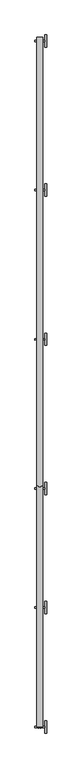
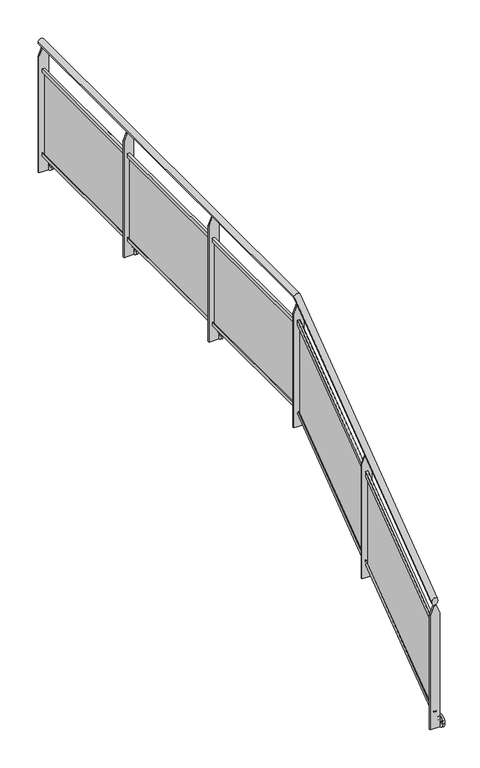
"""IFC4 building model written with IfcOpenShell, lengths in millimetres: railing geometry."""

from ifc_helpers import new_model, si_unit, point, frame, frame_2d, origin, place, context, project, spatial, polyline, circle_curve, ellipse_curve, trimmed, segment, composite_curve, outline, extrude, faceted_brep, source, transform, mapped, element, save
from ifc_brep_helpers import plane_surface, cylinder_surface, advanced_brep


def railing_d3174475(model_context):
    return source(origin(), model_context, "Body", "SolidModel", [
        advanced_brep(
        [(28895.5970847, 758.8773535, 1137.7352387), (28945.5970847, 758.8773535, 1137.7352387), (28945.5970847, 2701.0427821, 2588.6470588), (28895.5970847, 2701.0427821, 2588.6470588), (28895.5970847, 6308.8773535, 2588.6470588), (28945.5970847, 6308.8773535, 2588.6470588)],
        [
            (0, 1, ellipse_curve(frame((28920.5970847, 758.8773535, 1137.7352387), z_axis=(0.0, -1.0, 0.0), x_axis=(0.0, 0.0, -1.0)), 31.2059378, 25.0)),
            (1, 0, ellipse_curve(frame((28920.5970847, 758.8773535, 1137.7352387), z_axis=(0.0, -1.0, 0.0), x_axis=(0.0, 0.0, -1.0)), 31.2059378, 25.0)),
            (1, 2),
            (2, 3, ellipse_curve(frame((28920.5970847, 2701.0427821, 2588.6470588), z_axis=(0.0, -0.9489809231922534, -0.31533348603847705), x_axis=(0.0, 0.3153334860384766, -0.9489809231922536)), 26.3440491, 25.0)),
            (3, 0),
            (3, 2, ellipse_curve(frame((28920.5970847, 2701.0427821, 2588.6470588), z_axis=(0.0, -0.9489809231922534, -0.31533348603847705), x_axis=(0.0, 0.3153334860384766, -0.9489809231922536)), 26.3440491, 25.0)),
            (4, 5, circle_curve(frame((28920.5970847, 6308.8773535, 2588.6470588), z_axis=(0.0, 1.0, 0.0), x_axis=(1.0, 0.0, 0.0)), 25.0)),
            (5, 4, circle_curve(frame((28920.5970847, 6308.8773535, 2588.6470588), z_axis=(0.0, 1.0, 0.0), x_axis=(1.0, 0.0, 0.0)), 25.0)),
            (2, 5),
            (4, 3),
        ],
        [
            plane_surface(frame((28920.5970847, 758.8773535, 1168.9411765), z_axis=(0.0, -1.0, 0.0), x_axis=(0.0, 0.0, 1.0))),
            cylinder_surface(frame((28920.5970847, 773.8396267, 1148.9129368), z_axis=(0.0, -0.8011295851656433, -0.5984909253884511), x_axis=(1.0, 0.0, 0.0)), 25.0),
            plane_surface(frame((28920.5970847, 6308.8773535, 2613.6470588), z_axis=(0.0, 1.0, 0.0), x_axis=(0.0, 0.0, 1.0))),
            cylinder_surface(frame((28920.5970847, 2692.7356212, 2588.6470588), z_axis=(0.0, -1.0, 0.0), x_axis=(1.0, 0.0, 0.0)), 25.0),
        ],
        [
            (0, [[1, 2]]),
            (1, [[-2, 3, 4, 5]]),
            (1, [[-1, -5, 6, -3]]),
            (2, [[7, 8]]),
            (3, [[-4, 9, -7, 10]]),
            (3, [[-6, -10, -8, -9]]),
        ],
    ),
        extrude(outline(polyline([(1493.6470588, 28880.5970847), (1493.6470588, 28960.5970847), (2488.6470588, 28960.5970847), (2563.6470588, 28930.5970847), (2563.6470588, 28910.5970847), (2488.6470588, 28880.5970847), (1493.6470588, 28880.5970847)])), frame((0.0, 6272.8773535, 0.0), z_axis=(0.0, 1.0, 0.0), x_axis=(0.0, 0.0, 1.0)), (0.0, 0.0, 1.0), 12.0),
        extrude(outline(composite_curve([segment(trimmed(circle_curve(frame_2d((6278.8773535, 1543.6470588)), 50.0), [point((6328.8773535, 1543.6470588))], [point((6228.8773535, 1543.6470588))], False, "CARTESIAN"), True, "CONTINUOUS"), segment(trimmed(circle_curve(frame_2d((6278.8773535, 1543.6470588)), 50.0), [point((6228.8773535, 1543.6470588))], [point((6328.8773535, 1543.6470588))], False, "CARTESIAN"), True, "CONTINUOUS")], self_intersect=False), holes=[composite_curve([segment(trimmed(circle_curve(frame_2d((6309.8773535, 1543.6470588)), 9.0), [point((6318.8773535, 1543.6470588))], [point((6300.8773535, 1543.6470588))], True, "CARTESIAN"), True, "CONTINUOUS"), segment(trimmed(circle_curve(frame_2d((6309.8773535, 1543.6470588)), 9.0), [point((6300.8773535, 1543.6470588))], [point((6318.8773535, 1543.6470588))], True, "CARTESIAN"), True, "CONTINUOUS")], self_intersect=False), composite_curve([segment(trimmed(circle_curve(frame_2d((6247.8773535, 1543.6470588)), 9.0), [point((6256.8773535, 1543.6470588))], [point((6238.8773535, 1543.6470588))], True, "CARTESIAN"), True, "CONTINUOUS"), segment(trimmed(circle_curve(frame_2d((6247.8773535, 1543.6470588)), 9.0), [point((6238.8773535, 1543.6470588))], [point((6256.8773535, 1543.6470588))], True, "CARTESIAN"), True, "CONTINUOUS")], self_intersect=False)]), frame((28960.5970847, 0.0, 0.0), z_axis=(1.0, 0.0, 0.0), x_axis=(0.0, 1.0, 0.0)), (0.0, 0.0, 1.0), 15.0),
        extrude(outline(polyline([(28913.4220847, 5108.8773535), (28913.4220847, 6248.8773535), (28921.4220847, 6248.8773535), (28921.4220847, 5108.8773535), (28913.4220847, 5108.8773535)])), frame((0.0, 0.0, 1653.8585064), z_axis=(0.0, 0.0, 1.0), x_axis=(1.0, 0.0, 0.0)), (0.0, 0.0, 1.0), 699.5771048),
        extrude(outline(polyline([(1628.6470588, 28927.4220847), (1658.6470588, 28927.4220847), (1658.6470588, 28924.4220847), (1631.6470588, 28924.4220847), (1631.6470588, 28910.4220847), (1658.6470588, 28910.4220847), (1658.6470588, 28907.4220847), (1628.6470588, 28907.4220847), (1628.6470588, 28927.4220847)])), frame((0.0, 5084.8773535, 0.0), z_axis=(0.0, 1.0, 0.0), x_axis=(0.0, 0.0, 1.0)), (0.0, 0.0, 1.0), 1188.0),
        extrude(outline(polyline([(2378.6470588, 28927.4220847), (2378.6470588, 28907.4220847), (2348.6470588, 28907.4220847), (2348.6470588, 28910.4220847), (2375.6470588, 28910.4220847), (2375.6470588, 28924.4220847), (2348.6470588, 28924.4220847), (2348.6470588, 28927.4220847), (2378.6470588, 28927.4220847)])), frame((0.0, 5084.8773535, 0.0), z_axis=(0.0, 1.0, 0.0), x_axis=(0.0, 0.0, 1.0)), (0.0, 0.0, 1.0), 1188.0),
        extrude(outline(polyline([(1493.6470588, 28880.5970847), (1493.6470588, 28960.5970847), (2488.6470588, 28960.5970847), (2563.6470588, 28930.5970847), (2563.6470588, 28910.5970847), (2488.6470588, 28880.5970847), (1493.6470588, 28880.5970847)])), frame((0.0, 5072.8773535, 0.0), z_axis=(0.0, 1.0, 0.0), x_axis=(0.0, 0.0, 1.0)), (0.0, 0.0, 1.0), 12.0),
        extrude(outline(composite_curve([segment(trimmed(circle_curve(frame_2d((5078.8773535, 1543.6470588)), 50.0), [point((5128.8773535, 1543.6470588))], [point((5028.8773535, 1543.6470588))], False, "CARTESIAN"), True, "CONTINUOUS"), segment(trimmed(circle_curve(frame_2d((5078.8773535, 1543.6470588)), 50.0), [point((5028.8773535, 1543.6470588))], [point((5128.8773535, 1543.6470588))], False, "CARTESIAN"), True, "CONTINUOUS")], self_intersect=False), holes=[composite_curve([segment(trimmed(circle_curve(frame_2d((5109.8773535, 1543.6470588)), 9.0), [point((5118.8773535, 1543.6470588))], [point((5100.8773535, 1543.6470588))], True, "CARTESIAN"), True, "CONTINUOUS"), segment(trimmed(circle_curve(frame_2d((5109.8773535, 1543.6470588)), 9.0), [point((5100.8773535, 1543.6470588))], [point((5118.8773535, 1543.6470588))], True, "CARTESIAN"), True, "CONTINUOUS")], self_intersect=False), composite_curve([segment(trimmed(circle_curve(frame_2d((5047.8773535, 1543.6470588)), 9.0), [point((5056.8773535, 1543.6470588))], [point((5038.8773535, 1543.6470588))], True, "CARTESIAN"), True, "CONTINUOUS"), segment(trimmed(circle_curve(frame_2d((5047.8773535, 1543.6470588)), 9.0), [point((5038.8773535, 1543.6470588))], [point((5056.8773535, 1543.6470588))], True, "CARTESIAN"), True, "CONTINUOUS")], self_intersect=False)]), frame((28960.5970847, 0.0, 0.0), z_axis=(1.0, 0.0, 0.0), x_axis=(0.0, 1.0, 0.0)), (0.0, 0.0, 1.0), 15.0),
        extrude(outline(polyline([(28913.4220847, 3908.8773535), (28913.4220847, 5048.8773535), (28921.4220847, 5048.8773535), (28921.4220847, 3908.8773535), (28913.4220847, 3908.8773535)])), frame((0.0, 0.0, 1653.8585064), z_axis=(0.0, 0.0, 1.0), x_axis=(1.0, 0.0, 0.0)), (0.0, 0.0, 1.0), 699.5771048),
        extrude(outline(polyline([(1628.6470588, 28927.4220847), (1658.6470588, 28927.4220847), (1658.6470588, 28924.4220847), (1631.6470588, 28924.4220847), (1631.6470588, 28910.4220847), (1658.6470588, 28910.4220847), (1658.6470588, 28907.4220847), (1628.6470588, 28907.4220847), (1628.6470588, 28927.4220847)])), frame((0.0, 3884.8773535, 0.0), z_axis=(0.0, 1.0, 0.0), x_axis=(0.0, 0.0, 1.0)), (0.0, 0.0, 1.0), 1188.0),
        extrude(outline(polyline([(2378.6470588, 28927.4220847), (2378.6470588, 28907.4220847), (2348.6470588, 28907.4220847), (2348.6470588, 28910.4220847), (2375.6470588, 28910.4220847), (2375.6470588, 28924.4220847), (2348.6470588, 28924.4220847), (2348.6470588, 28927.4220847), (2378.6470588, 28927.4220847)])), frame((0.0, 3884.8773535, 0.0), z_axis=(0.0, 1.0, 0.0), x_axis=(0.0, 0.0, 1.0)), (0.0, 0.0, 1.0), 1188.0),
        extrude(outline(polyline([(1493.6470588, 28880.5970847), (1493.6470588, 28960.5970847), (2488.6470588, 28960.5970847), (2563.6470588, 28930.5970847), (2563.6470588, 28910.5970847), (2488.6470588, 28880.5970847), (1493.6470588, 28880.5970847)])), frame((0.0, 3872.8773535, 0.0), z_axis=(0.0, 1.0, 0.0), x_axis=(0.0, 0.0, 1.0)), (0.0, 0.0, 1.0), 12.0),
        extrude(outline(composite_curve([segment(trimmed(circle_curve(frame_2d((3878.8773535, 1543.6470588)), 50.0), [point((3928.8773535, 1543.6470588))], [point((3828.8773535, 1543.6470588))], False, "CARTESIAN"), True, "CONTINUOUS"), segment(trimmed(circle_curve(frame_2d((3878.8773535, 1543.6470588)), 50.0), [point((3828.8773535, 1543.6470588))], [point((3928.8773535, 1543.6470588))], False, "CARTESIAN"), True, "CONTINUOUS")], self_intersect=False), holes=[composite_curve([segment(trimmed(circle_curve(frame_2d((3909.8773535, 1543.6470588)), 9.0), [point((3918.8773535, 1543.6470588))], [point((3900.8773535, 1543.6470588))], True, "CARTESIAN"), True, "CONTINUOUS"), segment(trimmed(circle_curve(frame_2d((3909.8773535, 1543.6470588)), 9.0), [point((3900.8773535, 1543.6470588))], [point((3918.8773535, 1543.6470588))], True, "CARTESIAN"), True, "CONTINUOUS")], self_intersect=False), composite_curve([segment(trimmed(circle_curve(frame_2d((3847.8773535, 1543.6470588)), 9.0), [point((3856.8773535, 1543.6470588))], [point((3838.8773535, 1543.6470588))], True, "CARTESIAN"), True, "CONTINUOUS"), segment(trimmed(circle_curve(frame_2d((3847.8773535, 1543.6470588)), 9.0), [point((3838.8773535, 1543.6470588))], [point((3856.8773535, 1543.6470588))], True, "CARTESIAN"), True, "CONTINUOUS")], self_intersect=False)]), frame((28960.5970847, 0.0, 0.0), z_axis=(1.0, 0.0, 0.0), x_axis=(0.0, 1.0, 0.0)), (0.0, 0.0, 1.0), 15.0),
        extrude(outline(polyline([(28913.4220847, 2708.8773535), (28913.4220847, 3848.8773535), (28921.4220847, 3848.8773535), (28921.4220847, 2708.8773535), (28913.4220847, 2708.8773535)])), frame((0.0, 0.0, 1653.8585064), z_axis=(0.0, 0.0, 1.0), x_axis=(1.0, 0.0, 0.0)), (0.0, 0.0, 1.0), 699.5771048),
        extrude(outline(polyline([(1628.6470588, 28927.4220847), (1658.6470588, 28927.4220847), (1658.6470588, 28924.4220847), (1631.6470588, 28924.4220847), (1631.6470588, 28910.4220847), (1658.6470588, 28910.4220847), (1658.6470588, 28907.4220847), (1628.6470588, 28907.4220847), (1628.6470588, 28927.4220847)])), frame((0.0, 2684.8773535, 0.0), z_axis=(0.0, 1.0, 0.0), x_axis=(0.0, 0.0, 1.0)), (0.0, 0.0, 1.0), 1188.0),
        extrude(outline(polyline([(2378.6470588, 28927.4220847), (2378.6470588, 28907.4220847), (2348.6470588, 28907.4220847), (2348.6470588, 28910.4220847), (2375.6470588, 28910.4220847), (2375.6470588, 28924.4220847), (2348.6470588, 28924.4220847), (2348.6470588, 28927.4220847), (2378.6470588, 28927.4220847)])), frame((0.0, 2684.8773535, 0.0), z_axis=(0.0, 1.0, 0.0), x_axis=(0.0, 0.0, 1.0)), (0.0, 0.0, 1.0), 1188.0),
        faceted_brep([(28880.5970847, 2684.8773535, 1483.2941176), (28880.5970847, 2672.8773535, 1483.2941176), (28880.5970847, 2672.8773535, 2465.8822421), (28880.5970847, 2684.8773535, 2465.8822421), (28960.5970847, 2672.8773535, 1483.2941176), (28960.5970847, 2684.8773535, 1483.2941176), (28960.5970847, 2684.8773535, 2465.8822421), (28960.5970847, 2672.8773535, 2465.8822421), (28932.3900259, 2672.8773535, 2536.3998891), (28908.8041436, 2672.8773535, 2536.3998891), (28928.8041436, 2684.8773535, 2545.364595), (28912.3900259, 2684.8773535, 2545.364595)], [[[0, 1, 2, 3]], [[4, 5, 6, 7]], [[1, 4, 7, 8, 9, 2]], [[9, 8, 10, 11]], [[5, 0, 3, 11, 10, 6]], [[1, 0, 5, 4]], [[7, 6, 10, 8]], [[3, 2, 9, 11]]]),
        extrude(outline(composite_curve([segment(trimmed(circle_curve(frame_2d((2678.8773535, 1533.2941176)), 50.0), [point((2728.8773535, 1533.2941176))], [point((2628.8773535, 1533.2941176))], False, "CARTESIAN"), True, "CONTINUOUS"), segment(trimmed(circle_curve(frame_2d((2678.8773535, 1533.2941176)), 50.0), [point((2628.8773535, 1533.2941176))], [point((2728.8773535, 1533.2941176))], False, "CARTESIAN"), True, "CONTINUOUS")], self_intersect=False), holes=[composite_curve([segment(trimmed(circle_curve(frame_2d((2709.8773535, 1533.2941176)), 9.0), [point((2718.8773535, 1533.2941176))], [point((2700.8773535, 1533.2941176))], True, "CARTESIAN"), True, "CONTINUOUS"), segment(trimmed(circle_curve(frame_2d((2709.8773535, 1533.2941176)), 9.0), [point((2700.8773535, 1533.2941176))], [point((2718.8773535, 1533.2941176))], True, "CARTESIAN"), True, "CONTINUOUS")], self_intersect=False), composite_curve([segment(trimmed(circle_curve(frame_2d((2647.8773535, 1533.2941176)), 9.0), [point((2656.8773535, 1533.2941176))], [point((2638.8773535, 1533.2941176))], True, "CARTESIAN"), True, "CONTINUOUS"), segment(trimmed(circle_curve(frame_2d((2647.8773535, 1533.2941176)), 9.0), [point((2638.8773535, 1533.2941176))], [point((2656.8773535, 1533.2941176))], True, "CARTESIAN"), True, "CONTINUOUS")], self_intersect=False)]), frame((28960.5970847, 0.0, 0.0), z_axis=(1.0, 0.0, 0.0), x_axis=(0.0, 1.0, 0.0)), (0.0, 0.0, 1.0), 15.0),
        extrude(outline(polyline([(1748.8773535, 1696.0470366), (2648.8773535, 2368.3999778), (2648.8773535, 1593.3647281), (1748.8773535, 921.0117869), (1748.8773535, 1696.0470366)])), frame((28913.4220847, 0.0, 0.0), z_axis=(1.0, 0.0, 0.0), x_axis=(0.0, 1.0, 0.0)), (0.0, 0.0, 1.0), 8.0),
        extrude(outline(polyline([(-10.0, 0.0), (-10.0, 30.0), (-7.0, 30.0), (-7.0, 3.0), (7.0, 3.0), (7.0, 30.0), (10.0, 30.0), (10.0, 0.0), (-10.0, 0.0)])), frame((28917.4220847, 1724.8773535, 890.6), z_axis=(0.0, 0.8011295851656431, 0.5984909253884512), x_axis=(-1.0, 0.0, 0.0)), (0.0, 0.0, 1.0), 1183.3291612),
        extrude(outline(polyline([(-10.0, 0.0), (10.0, 0.0), (10.0, -30.0000001), (7.0, -30.0000001), (7.0, -3.0), (-7.0, -3.0), (-7.0, -30.0000001), (-10.0, -30.0000001), (-10.0, 0.0)])), frame((28917.4220847, 1724.8773535, 1690.6), z_axis=(0.0, 0.8011295851656393, 0.5984909253884564), x_axis=(-1.0, 0.0, 0.0)), (0.0, 0.0, 1.0), 1183.3291612),
        faceted_brep([(28880.5970847, 1724.8773535, 766.1176471), (28880.5970847, 1712.8773535, 766.1176471), (28880.5970847, 1712.8773535, 1748.7057715), (28880.5970847, 1724.8773535, 1748.7057715), (28960.5970847, 1712.8773535, 766.1176471), (28960.5970847, 1724.8773535, 766.1176471), (28960.5970847, 1724.8773535, 1748.7057715), (28960.5970847, 1712.8773535, 1748.7057715), (28932.3900259, 1712.8773535, 1819.2234185), (28908.8041436, 1712.8773535, 1819.2234185), (28928.8041436, 1724.8773535, 1828.1881244), (28912.3900259, 1724.8773535, 1828.1881244)], [[[0, 1, 2, 3]], [[4, 5, 6, 7]], [[1, 4, 7, 8, 9, 2]], [[9, 8, 10, 11]], [[5, 0, 3, 11, 10, 6]], [[1, 0, 5, 4]], [[7, 6, 10, 8]], [[3, 2, 9, 11]]]),
        extrude(outline(composite_curve([segment(trimmed(circle_curve(frame_2d((1718.8773535, 816.1176471)), 50.0), [point((1768.8773535, 816.1176471))], [point((1668.8773535, 816.1176471))], False, "CARTESIAN"), True, "CONTINUOUS"), segment(trimmed(circle_curve(frame_2d((1718.8773535, 816.1176471)), 50.0), [point((1668.8773535, 816.1176471))], [point((1768.8773535, 816.1176471))], False, "CARTESIAN"), True, "CONTINUOUS")], self_intersect=False), holes=[composite_curve([segment(trimmed(circle_curve(frame_2d((1749.8773535, 816.1176471)), 9.0), [point((1758.8773535, 816.1176471))], [point((1740.8773535, 816.1176471))], True, "CARTESIAN"), True, "CONTINUOUS"), segment(trimmed(circle_curve(frame_2d((1749.8773535, 816.1176471)), 9.0), [point((1740.8773535, 816.1176471))], [point((1758.8773535, 816.1176471))], True, "CARTESIAN"), True, "CONTINUOUS")], self_intersect=False), composite_curve([segment(trimmed(circle_curve(frame_2d((1687.8773535, 816.1176471)), 9.0), [point((1696.8773535, 816.1176471))], [point((1678.8773535, 816.1176471))], True, "CARTESIAN"), True, "CONTINUOUS"), segment(trimmed(circle_curve(frame_2d((1687.8773535, 816.1176471)), 9.0), [point((1678.8773535, 816.1176471))], [point((1696.8773535, 816.1176471))], True, "CARTESIAN"), True, "CONTINUOUS")], self_intersect=False)]), frame((28960.5970847, 0.0, 0.0), z_axis=(1.0, 0.0, 0.0), x_axis=(0.0, 1.0, 0.0)), (0.0, 0.0, 1.0), 15.0),
        extrude(outline(polyline([(788.8773535, 978.8705661), (1688.8773535, 1651.2235072), (1688.8773535, 876.1882575), (788.8773535, 203.8353163), (788.8773535, 978.8705661)])), frame((28913.4220847, 0.0, 0.0), z_axis=(1.0, 0.0, 0.0), x_axis=(0.0, 1.0, 0.0)), (0.0, 0.0, 1.0), 8.0),
        extrude(outline(polyline([(-10.0, 0.0), (-10.0, 30.0), (-7.0, 30.0), (-7.0, 3.0), (7.0, 3.0), (7.0, 30.0), (10.0, 30.0), (10.0, 0.0), (-10.0, 0.0)])), frame((28917.4220847, 764.8773535, 173.4235294), z_axis=(0.0, 0.8011295851656431, 0.5984909253884512), x_axis=(-1.0, 0.0, 0.0)), (0.0, 0.0, 1.0), 1183.3291612),
        extrude(outline(polyline([(-10.0, 0.0), (10.0, 0.0), (10.0, -30.0), (7.0, -30.0), (7.0, -3.0), (-7.0, -3.0), (-7.0, -30.0), (-10.0, -30.0), (-10.0, 0.0)])), frame((28917.4220847, 764.8773535, 973.4235294), z_axis=(0.0, 0.8011295851656393, 0.5984909253884564), x_axis=(-1.0, 0.0, 0.0)), (0.0, 0.0, 1.0), 1183.3291612),
        faceted_brep([(28880.5970847, 764.8773535, 48.9411765), (28880.5970847, 752.8773535, 48.9411765), (28880.5970847, 752.8773535, 1031.5293009), (28880.5970847, 764.8773535, 1031.5293009), (28960.5970847, 752.8773535, 48.9411765), (28960.5970847, 764.8773535, 48.9411765), (28960.5970847, 764.8773535, 1031.5293009), (28960.5970847, 752.8773535, 1031.5293009), (28932.3900259, 752.8773535, 1102.0469479), (28908.8041436, 752.8773535, 1102.0469479), (28928.8041436, 764.8773535, 1111.0116538), (28912.3900259, 764.8773535, 1111.0116538)], [[[0, 1, 2, 3]], [[4, 5, 6, 7]], [[1, 4, 7, 8, 9, 2]], [[9, 8, 10, 11]], [[5, 0, 3, 11, 10, 6]], [[1, 0, 5, 4]], [[7, 6, 10, 8]], [[3, 2, 9, 11]]]),
        extrude(outline(composite_curve([segment(trimmed(circle_curve(frame_2d((758.8773535, 98.9411765)), 50.0), [point((808.8773535, 98.9411765))], [point((708.8773535, 98.9411765))], False, "CARTESIAN"), True, "CONTINUOUS"), segment(trimmed(circle_curve(frame_2d((758.8773535, 98.9411765)), 50.0), [point((708.8773535, 98.9411765))], [point((808.8773535, 98.9411765))], False, "CARTESIAN"), True, "CONTINUOUS")], self_intersect=False), holes=[composite_curve([segment(trimmed(circle_curve(frame_2d((789.8773535, 98.9411765)), 9.0), [point((798.8773535, 98.9411765))], [point((780.8773535, 98.9411765))], True, "CARTESIAN"), True, "CONTINUOUS"), segment(trimmed(circle_curve(frame_2d((789.8773535, 98.9411765)), 9.0), [point((780.8773535, 98.9411765))], [point((798.8773535, 98.9411765))], True, "CARTESIAN"), True, "CONTINUOUS")], self_intersect=False), composite_curve([segment(trimmed(circle_curve(frame_2d((727.8773535, 98.9411765)), 9.0), [point((736.8773535, 98.9411765))], [point((718.8773535, 98.9411765))], True, "CARTESIAN"), True, "CONTINUOUS"), segment(trimmed(circle_curve(frame_2d((727.8773535, 98.9411765)), 9.0), [point((718.8773535, 98.9411765))], [point((736.8773535, 98.9411765))], True, "CARTESIAN"), True, "CONTINUOUS")], self_intersect=False)]), frame((28960.5970847, 0.0, 0.0), z_axis=(1.0, 0.0, 0.0), x_axis=(0.0, 1.0, 0.0)), (0.0, 0.0, 1.0), 15.0),
    ])


if __name__ == "__main__":
    model = new_model("IFC4")
    model_context = context("Model", 3, world=origin())
    ifc_project = project(units=[si_unit("LENGTHUNIT", "METRE", prefix="MILLI")], contexts=[model_context])
    site = spatial("IfcSite", under=ifc_project)
    building = spatial("IfcBuilding", under=site)
    placement = place(None, origin())
    railing_shape = railing_d3174475(model_context)
    element("IfcRailing", 1, at=placement, inside=building, context=model_context, shape_type="MappedRepresentation", body=[
        mapped(railing_shape, transform((0.0, 0.0, 0.0), x_axis=(1.0, 0.0, 0.0), y_axis=(0.0, 1.0, 0.0), z_axis=(0.0, 0.0, 1.0))),
    ])
    save(model, "model.ifc")
